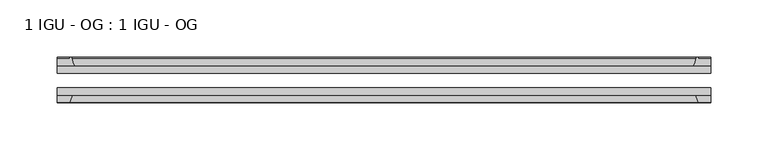
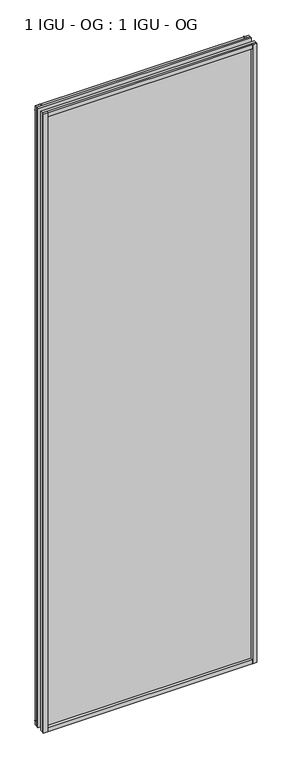
"""IFC4 building model written with IfcOpenShell, lengths in millimetres: plate geometry, 1 IGU - OG : 1 IGU - OG."""

from ifc_helpers import new_model, si_unit, point, frame, frame_2d, origin, place, context, project, spatial, polyline, circle_curve, trimmed, segment, composite_curve, outline, extrude, source, transform, mapped, element, save


def plate_1_igu_og_1_igu_og_26638fff(model_context):
    return source(origin(), model_context, "Body", "SweptSolid", [
        extrude(outline(polyline([(267.3224858, -31.75), (267.3224858, -38.1), (-305.4224858, -38.1), (-305.4224858, -31.75), (267.3224858, -31.75)])), frame((0.0, 0.0, -11.1125), z_axis=(0.0, 0.0, 1.0), x_axis=(1.0, 0.0, 0.0)), (0.0, 0.0, 1.0), 1755.775),
        extrude(outline(polyline([(-305.4224858, -12.7), (267.3224858, -12.7), (267.3224858, -19.05), (-305.4224858, -19.05), (-305.4224858, -12.7)])), frame((0.0, 0.0, -11.1125), z_axis=(0.0, 0.0, 1.0), x_axis=(1.0, 0.0, 0.0)), (0.0, 0.0, 1.0), 1755.775),
        extrude(outline(composite_curve([segment(polyline([(-290.0866949, -12.7), (-305.4224858, -12.7), (-305.4224858, -6.35), (-294.3099858, -6.35), (-294.3099858, -4.7751661), (-293.3805719, -4.7751661)]), True, "CONTINUOUS"), segment(trimmed(circle_curve(frame_2d((-293.3805719, -5.5371661)), 0.762), [point((-293.3805719, -4.7751661))], [point((-292.6383619, -5.364631))], False, "CARTESIAN"), True, "CONTINUOUS"), segment(trimmed(circle_curve(frame_2d((-257.0091437, 2.9177851)), 36.5792237), [point((-292.6383619, -5.364631))], [point((-290.0866949, -12.7))], True, "CARTESIAN"), True, "CONTINUOUS")], self_intersect=False)), frame((0.0, 0.0, -11.1125), z_axis=(0.0, 0.0, 1.0), x_axis=(1.0, 0.0, 0.0)), (0.0, 0.0, 1.0), 1755.775),
        extrude(outline(polyline([(-305.4224858, -38.1), (-292.2047087, -38.1), (-294.3099858, -44.45), (-305.4224858, -44.45), (-305.4224858, -38.1)])), frame((0.0, 0.0, -11.1125), z_axis=(0.0, 0.0, 1.0), x_axis=(1.0, 0.0, 0.0)), (0.0, 0.0, 1.0), 1755.775),
        extrude(outline(composite_curve([segment(trimmed(circle_curve(frame_2d((255.2805719, -5.5371661)), 0.762), [point((254.5383619, -5.364631))], [point((255.2805719, -4.7751661))], False, "CARTESIAN"), True, "CONTINUOUS"), segment(polyline([(255.2805719, -4.7751661), (256.2099858, -4.7751661), (256.2099858, -6.35), (267.3224858, -6.35), (267.3224858, -12.7), (251.9866949, -12.7)]), True, "CONTINUOUS"), segment(trimmed(circle_curve(frame_2d((218.9091437, 2.9177851)), 36.5792237), [point((251.9866949, -12.7))], [point((254.5383619, -5.364631))], True, "CARTESIAN"), True, "CONTINUOUS")], self_intersect=False)), frame((0.0, 0.0, -11.1125), z_axis=(0.0, 0.0, 1.0), x_axis=(1.0, 0.0, 0.0)), (0.0, 0.0, 1.0), 1755.775),
        extrude(outline(polyline([(254.1047087, -38.1), (267.3224858, -38.1), (267.3224858, -44.45), (256.2099858, -44.45), (254.1047087, -38.1)])), frame((0.0, 0.0, -11.1125), z_axis=(0.0, 0.0, 1.0), x_axis=(1.0, 0.0, 0.0)), (0.0, 0.0, 1.0), 1755.775),
        extrude(outline(composite_curve([segment(polyline([(-12.7, -11.1125), (-12.7, 4.2232909)]), True, "CONTINUOUS"), segment(trimmed(circle_curve(frame_2d((2.9177851, 37.3008421)), 36.5792237), [point((-12.7, 4.2232909))], [point((-5.364631, 1.6716239))], True, "CARTESIAN"), True, "CONTINUOUS"), segment(trimmed(circle_curve(frame_2d((-5.5371661, 0.929414)), 0.762), [point((-5.364631, 1.6716239))], [point((-4.7751661, 0.929414))], False, "CARTESIAN"), True, "CONTINUOUS"), segment(polyline([(-4.7751661, 0.929414), (-4.7751661, 0.0), (-6.35, 0.0), (-6.35, -11.1125), (-12.7, -11.1125)]), True, "CONTINUOUS")], self_intersect=False)), frame((-305.4224858, 0.0, 0.0), z_axis=(1.0, 0.0, 0.0), x_axis=(0.0, 1.0, 0.0)), (0.0, 0.0, 1.0), 572.7449716),
        extrude(outline(polyline([(-38.1, 2.1052771), (-38.1, -11.1125), (-44.45, -11.1125), (-44.45, 0.0), (-38.1, 2.1052771)])), frame((-305.4224858, 0.0, 0.0), z_axis=(1.0, 0.0, 0.0), x_axis=(0.0, 1.0, 0.0)), (0.0, 0.0, 1.0), 572.7449716),
        extrude(outline(composite_curve([segment(trimmed(circle_curve(frame_2d((2.9177851, 1696.2491579)), 36.5792237), [point((-5.364631, 1731.8783761))], [point((-12.7, 1729.3267091))], True, "CARTESIAN"), True, "CONTINUOUS"), segment(polyline([(-12.7, 1729.3267091), (-12.7, 1744.6625), (-6.35, 1744.6625), (-6.35, 1733.55), (-4.7751661, 1733.55), (-4.7751661, 1732.620586)]), True, "CONTINUOUS"), segment(trimmed(circle_curve(frame_2d((-5.5371661, 1732.620586)), 0.762), [point((-4.7751661, 1732.620586))], [point((-5.364631, 1731.8783761))], False, "CARTESIAN"), True, "CONTINUOUS")], self_intersect=False)), frame((-305.4224858, 0.0, 0.0), z_axis=(1.0, 0.0, 0.0), x_axis=(0.0, 1.0, 0.0)), (0.0, 0.0, 1.0), 572.7449716),
        extrude(outline(polyline([(-38.1, 1744.6625), (-38.1, 1731.4447229), (-44.45, 1733.55), (-44.45, 1744.6625), (-38.1, 1744.6625)])), frame((-305.4224858, 0.0, 0.0), z_axis=(1.0, 0.0, 0.0), x_axis=(0.0, 1.0, 0.0)), (0.0, 0.0, 1.0), 572.7449716),
    ])


if __name__ == "__main__":
    model = new_model("IFC4")
    model_context = context("Model", 3, world=origin())
    ifc_project = project(units=[si_unit("LENGTHUNIT", "METRE", prefix="MILLI")], contexts=[model_context])
    site = spatial("IfcSite", under=ifc_project)
    building = spatial("IfcBuilding", under=site)
    placement = place(None, origin())
    plate_1_igu_og_1_igu_og_shape = plate_1_igu_og_1_igu_og_26638fff(model_context)
    element("IfcPlate", 1, ObjectType="1 IGU - OG : 1 IGU - OG", at=placement, inside=building, context=model_context, shape_type="MappedRepresentation", body=[
        mapped(plate_1_igu_og_1_igu_og_shape, transform((0.0, 0.0, 0.0), x_axis=(1.0, 0.0, 0.0), y_axis=(0.0, 1.0, 0.0), z_axis=(0.0, 0.0, 1.0))),
    ])
    save(model, "model.ifc")
